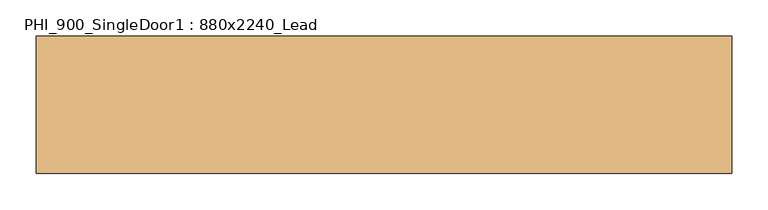
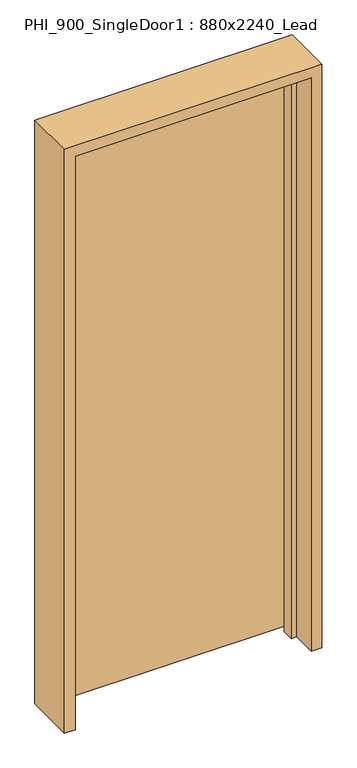
"""IFC4 building model written with IfcOpenShell, lengths in millimetres: door geometry, PHI_900_SingleDoor1 : 880x2240_Lead."""

from ifc_helpers import new_model, si_unit, frame, origin, place, context, project, spatial, polyline, outline, extrude, source, transform, mapped, element, save


def phi_900_singledoor1_880x2240_lead_8b712118(model_context):
    return source(origin(), model_context, "Body", "SweptSolid", [
        extrude(outline(polyline([(438.0, 95.0), (438.0, 45.0), (-438.0, 45.0), (-438.0, 95.0), (438.0, 95.0)])), frame((0.0, 0.0, 20.0), z_axis=(0.0, 0.0, 1.0), x_axis=(1.0, 0.0, 0.0)), (0.0, 0.0, 1.0), 2238.0),
        extrude(outline(polyline([(2300.0, -480.0), (0.0, -480.0), (0.0, -440.0), (2260.0, -440.0), (2260.0, 440.0), (0.0, 440.0), (0.0, 480.0), (2300.0, 480.0), (2300.0, -480.0)])), frame((0.0, -95.0, 0.0), z_axis=(0.0, 1.0, 0.0), x_axis=(0.0, 0.0, 1.0)), (0.0, 0.0, 1.0), 190.0),
        extrude(outline(polyline([(2260.0, -440.0), (0.0, -440.0), (0.0, -420.0), (2240.0, -420.0), (2240.0, 420.0), (0.0, 420.0), (0.0, 440.0), (2260.0, 440.0), (2260.0, -440.0)])), frame((0.0, 0.0, 0.0), z_axis=(0.0, 1.0, 0.0), x_axis=(0.0, 0.0, 1.0)), (0.0, 0.0, 1.0), 45.0),
    ])


if __name__ == "__main__":
    model = new_model("IFC4")
    model_context = context("Model", 3, world=origin())
    ifc_project = project(units=[si_unit("LENGTHUNIT", "METRE", prefix="MILLI")], contexts=[model_context])
    site = spatial("IfcSite", under=ifc_project)
    building = spatial("IfcBuilding", under=site)
    placement = place(None, origin())
    phi_900_singledoor1_880x2240_lead_shape = phi_900_singledoor1_880x2240_lead_8b712118(model_context)
    element("IfcDoor", 1, ObjectType="PHI_900_SingleDoor1 : 880x2240_Lead", at=placement, inside=building, context=model_context, shape_type="MappedRepresentation", body=[
        mapped(phi_900_singledoor1_880x2240_lead_shape, transform((0.0, 0.0, 0.0), x_axis=(1.0, 0.0, 0.0), y_axis=(0.0, 1.0, 0.0), z_axis=(0.0, 0.0, 1.0))),
    ])
    save(model, "model.ifc")
